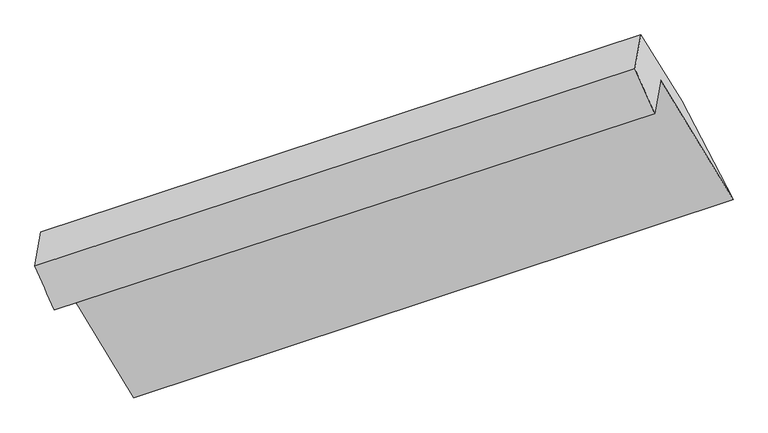
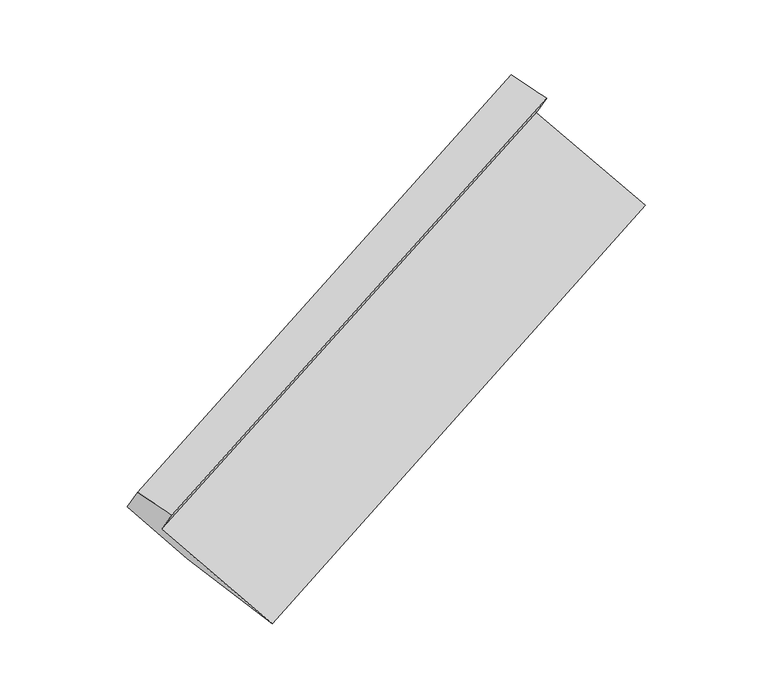
"""IFC4 building model written with IfcOpenShell, lengths in millimetres: proxy geometry."""

from ifc_helpers import new_model, si_unit, frame, origin, place, context, project, spatial, source, transform, mapped, element, save
from ifc_brep_helpers import plane_surface, spline_surface, advanced_brep


def generic_models_c2462609(model_context):
    return source(origin(), model_context, "Body", "AdvancedBrep", [
        advanced_brep(
        [(-5117.7015026, -2312.444966, 1365.3934096), (-5075.1626861, -2069.0067797, 1061.8414007), (-751.0713419, -655.9076198, 2814.6115854), (-793.5550163, -899.0302421, 3117.7701059), (-5256.0715033, -1994.780125, 1446.1076556), (-936.4452704, -574.1082072, 3203.6709158), (-5213.3942726, -1750.5498319, 1141.5679396), (-893.7680397, -329.8779141, 2899.1311999), (-4922.0903729, -2218.2335298, 807.3242349), (-597.9438866, -804.8188059, 2559.7009312), (-4545.0666246, -2943.9071501, 473.0876145), (-229.9606452, -1515.9780384, 2235.8374386)],
        [
            (0, 1),
            (1, 2),
            (2, 3),
            (3, 0),
            (4, 0),
            (3, 5),
            (5, 4),
            (6, 4),
            (5, 7),
            (7, 6),
            (8, 6),
            (7, 9),
            (9, 8),
            (10, 8),
            (9, 11),
            (11, 10),
            (1, 10),
            (11, 2),
        ],
        [
            plane_surface(frame((-5096.4320944, -2190.7258729, 1213.6174051), z_axis=(0.44838938425713937, -0.7269201475639233, -0.5201288870569947), x_axis=(0.10867609349981446, 0.6219240034396978, -0.7754998650207223))),
            spline_surface(1, 1, [[(-5256.0715033, -1994.780125, 1446.1076556), (-936.4452704, -574.1082072, 3203.6709158)], [(-5117.7015026, -2312.444966, 1365.3934096), (-793.5550163, -899.0302421, 3117.7701059)]], [2, 2], [2, 2], [0.0, 1.0], [0.0, 1.0]),
            plane_surface(frame((-5234.7328879, -1872.6649785, 1293.8377976), z_axis=(-0.4502083076811175, 0.7263212991409511, 0.5193937332208636), x_axis=(-0.10867609349983798, -0.621924003439769, 0.7754998650206619))),
            plane_surface(frame((-5067.7423228, -1984.3916809, 974.4460873), z_axis=(0.11049195832086031, 0.6225261313420781, -0.7747597969323701), x_axis=(-0.45202535211252554, 0.7257193896046148, 0.5186563877939352))),
            spline_surface(1, 1, [[(-4545.0666246, -2943.9071501, 473.0876145), (-229.9606452, -1515.9780384, 2235.8374386)], [(-4922.0903729, -2218.2335298, 807.3242349), (-597.9438866, -804.8188059, 2559.7009312)]], [2, 2], [2, 2], [0.0, 1.0], [0.0, 1.0]),
            plane_surface(frame((-4810.1146553, -2506.4569649, 767.4645076), z_axis=(-0.12192057807155748, -0.6039203641938755, 0.78766462809665), x_axis=(0.4491237291062235, -0.7412590763465351, -0.4988214687516979))),
            plane_surface(frame((-700.4573667, -796.6201379, 2805.1203628), z_axis=(0.8853601457876693, 0.2941800494549988, 0.35999376488140955), x_axis=(-0.45202535211252554, 0.7257193896046148, 0.5186563877939352))),
            plane_surface(frame((-5021.5811603, -2214.8203971, 1049.2203758), z_axis=(-0.8853601457876694, -0.2941800494549995, -0.35999376488140916), x_axis=(-0.10867609349983708, -0.6219240034397692, 0.7754998650206619))),
        ],
        [
            (0, [[1, 2, 3, 4]]),
            (1, [[5, -4, 6, 7]]),
            (2, [[8, -7, 9, 10]]),
            (3, [[11, -10, 12, 13]]),
            (4, [[14, -13, 15, 16]]),
            (5, [[17, -16, 18, -2]]),
            (6, [[-12, -9, -6, -3, -18, -15]]),
            (7, [[-1, -5, -8, -11, -14, -17]]),
        ],
    ),
    ])


if __name__ == "__main__":
    model = new_model("IFC4")
    model_context = context("Model", 3, world=origin())
    ifc_project = project(units=[si_unit("LENGTHUNIT", "METRE", prefix="MILLI")], contexts=[model_context])
    site = spatial("IfcSite", under=ifc_project)
    building = spatial("IfcBuilding", under=site)
    placement = place(None, origin())
    generic_models_shape = generic_models_c2462609(model_context)
    element("IfcBuildingElementProxy", 1, Name="Generic Models", at=placement, inside=building, context=model_context, shape_type="MappedRepresentation", body=[
        mapped(generic_models_shape, transform((0.0, 0.0, 0.0), x_axis=(1.0, 0.0, 0.0), y_axis=(0.0, 1.0, 0.0), z_axis=(0.0, 0.0, 1.0))),
    ])
    save(model, "model.ifc")
